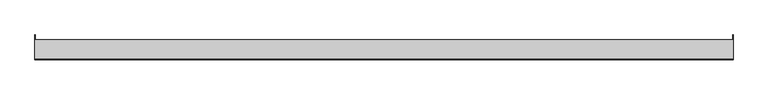
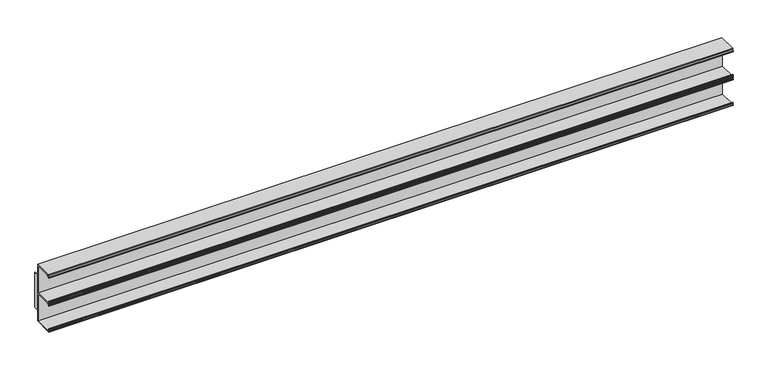
"""IFC4 building model written with IfcOpenShell, lengths in millimetres: furniture geometry."""

from ifc_helpers import new_model, si_unit, frame, origin, place, context, project, spatial, polyline, outline, extrude, source, transform, mapped, element, save


def furniture_8302a129(model_context):
    return source(origin(), model_context, "Body", "SweptSolid", [
        extrude(outline(polyline([(-111.1123009, 1219.2), (-111.1123009, 1085.85), (-153.9875, 1085.85), (-153.9875, 1087.8312017), (-151.1172991, 1087.8312017), (-153.9875, 1090.472801), (-153.9875, 1092.5810027), (-153.1650166, 1092.5810027), (-148.0041722, 1087.8312017), (-113.093501, 1087.8312017), (-113.093501, 1151.5336951), (-148.0041761, 1151.5336951), (-153.1650166, 1146.7838942), (-153.9875, 1146.7838942), (-153.9875, 1148.8920939), (-151.1172991, 1151.5336951), (-153.9875, 1151.5336951), (-153.9875, 1153.5148923), (-151.1172963, 1153.5148923), (-153.9875, 1156.1564962), (-153.9875, 1158.2646933), (-153.1650166, 1158.2646933), (-148.0041761, 1153.5148923), (-113.093501, 1153.5148923), (-113.093501, 1217.2188), (-148.0041761, 1217.2188), (-153.1650166, 1212.4690002), (-153.9875, 1212.4690002), (-153.9875, 1214.5772001), (-151.1172991, 1217.2188), (-152.4127006, 1217.2188), (-152.4127006, 1219.2), (-111.1123009, 1219.2)])), frame((-762.0, 0.0, 0.0), z_axis=(1.0, 0.0, 0.0), x_axis=(0.0, 1.0, 0.0)), (0.0, 0.0, 1.0), 1524.0),
        extrude(outline(polyline([(762.0, -111.1123009), (761.20625, -111.1123009), (761.20625, -100.0125), (762.0, -100.0125), (762.0, -111.1123009)])), frame((0.0, 0.0, 1110.9197997), z_axis=(0.0, 0.0, 1.0), x_axis=(1.0, 0.0, 0.0)), (0.0, 0.0, 1.0), 83.2104006),
        extrude(outline(polyline([(-762.0, -100.0125), (-761.20625, -100.0125), (-761.20625, -111.1123009), (-762.0, -111.1123009), (-762.0, -100.0125)])), frame((0.0, 0.0, 1110.9197997), z_axis=(0.0, 0.0, 1.0), x_axis=(1.0, 0.0, 0.0)), (0.0, 0.0, 1.0), 83.2104006),
    ])


if __name__ == "__main__":
    model = new_model("IFC4")
    model_context = context("Model", 3, world=origin())
    ifc_project = project(units=[si_unit("LENGTHUNIT", "METRE", prefix="MILLI")], contexts=[model_context])
    site = spatial("IfcSite", under=ifc_project)
    building = spatial("IfcBuilding", under=site)
    placement = place(None, origin())
    furniture_shape = furniture_8302a129(model_context)
    element("IfcFurniture", 1, at=placement, inside=building, context=model_context, shape_type="MappedRepresentation", body=[
        mapped(furniture_shape, transform((0.0, 0.0, 0.0), x_axis=(1.0, 0.0, 0.0), y_axis=(0.0, 1.0, 0.0), z_axis=(0.0, 0.0, 1.0))),
    ])
    save(model, "model.ifc")
